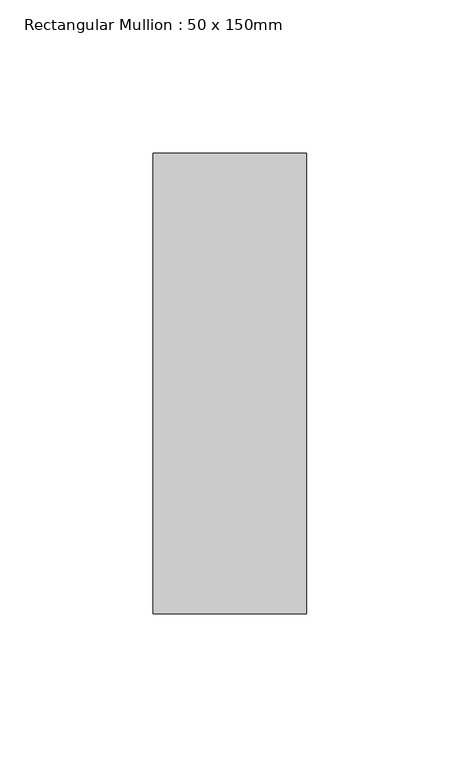
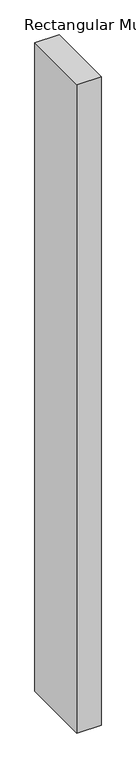
"""IFC4 building model written with IfcOpenShell, lengths in millimetres: member geometry, Rectangular Mullion : 50 x 150mm."""

from ifc_helpers import new_model, si_unit, frame, origin, place, context, project, spatial, polyline, outline, extrude, source, transform, mapped, element, save


def rectangular_mullion_50_x_150mm_7376f7a4(model_context):
    return source(origin(), model_context, "Body", "SweptSolid", [
        extrude(outline(polyline([(25.0, 75.0), (25.0, -75.0), (-25.0, -75.0), (-25.0, 75.0), (25.0, 75.0)])), frame((0.0, 0.0, -1416.7121727), z_axis=(0.0, 0.0, 1.0), x_axis=(1.0, 0.0, 0.0)), (0.0, 0.0, 1.0), 1416.7121727),
    ])


if __name__ == "__main__":
    model = new_model("IFC4")
    model_context = context("Model", 3, world=origin())
    ifc_project = project(units=[si_unit("LENGTHUNIT", "METRE", prefix="MILLI")], contexts=[model_context])
    site = spatial("IfcSite", under=ifc_project)
    building = spatial("IfcBuilding", under=site)
    placement = place(None, origin())
    rectangular_mullion_50_x_150mm_shape = rectangular_mullion_50_x_150mm_7376f7a4(model_context)
    element("IfcMember", 1, ObjectType="Rectangular Mullion : 50 x 150mm", at=placement, inside=building, context=model_context, shape_type="MappedRepresentation", body=[
        mapped(rectangular_mullion_50_x_150mm_shape, transform((0.0, 0.0, 0.0), x_axis=(1.0, 0.0, 0.0), y_axis=(0.0, 1.0, 0.0), z_axis=(0.0, 0.0, 1.0))),
    ])
    save(model, "model.ifc")
